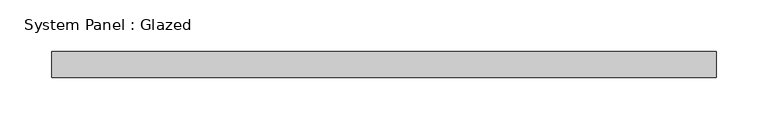
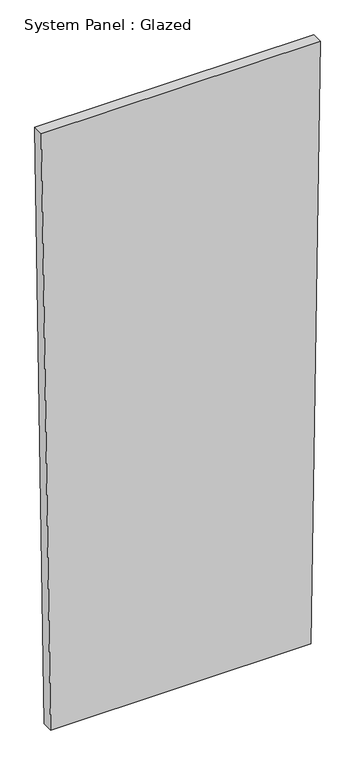
"""IFC4 building model written with IfcOpenShell, lengths in millimetres: plate geometry, System Panel : Glazed."""

from ifc_helpers import new_model, si_unit, frame, origin, place, context, project, spatial, polyline, outline, extrude, source, transform, mapped, element, save


def system_panel_glazed_63e2f3a9(model_context):
    return source(origin(), model_context, "Body", "SweptSolid", [
        extrude(outline(polyline([(0.0, -298.2513687), (0.0, 298.2513436), (1449.8385529, 319.487331), (1449.8385388, -319.487331), (0.0, -298.2513687)])), frame((0.0, -49.5, 0.0), z_axis=(0.0, 1.0, 0.0), x_axis=(0.0, 0.0, 1.0)), (0.0, 0.0, 1.0), 25.0),
    ])


if __name__ == "__main__":
    model = new_model("IFC4")
    model_context = context("Model", 3, world=origin())
    ifc_project = project(units=[si_unit("LENGTHUNIT", "METRE", prefix="MILLI")], contexts=[model_context])
    site = spatial("IfcSite", under=ifc_project)
    building = spatial("IfcBuilding", under=site)
    placement = place(None, origin())
    system_panel_glazed_shape = system_panel_glazed_63e2f3a9(model_context)
    element("IfcPlate", 1, ObjectType="System Panel : Glazed", at=placement, inside=building, context=model_context, shape_type="MappedRepresentation", body=[
        mapped(system_panel_glazed_shape, transform((0.0, 0.0, 0.0), x_axis=(1.0, 0.0, 0.0), y_axis=(0.0, 1.0, 0.0), z_axis=(0.0, 0.0, 1.0))),
    ])
    save(model, "model.ifc")
